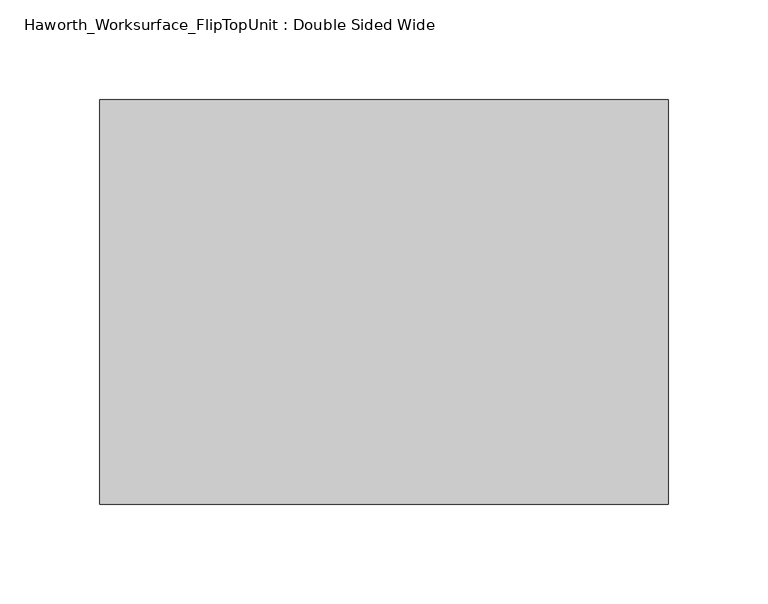
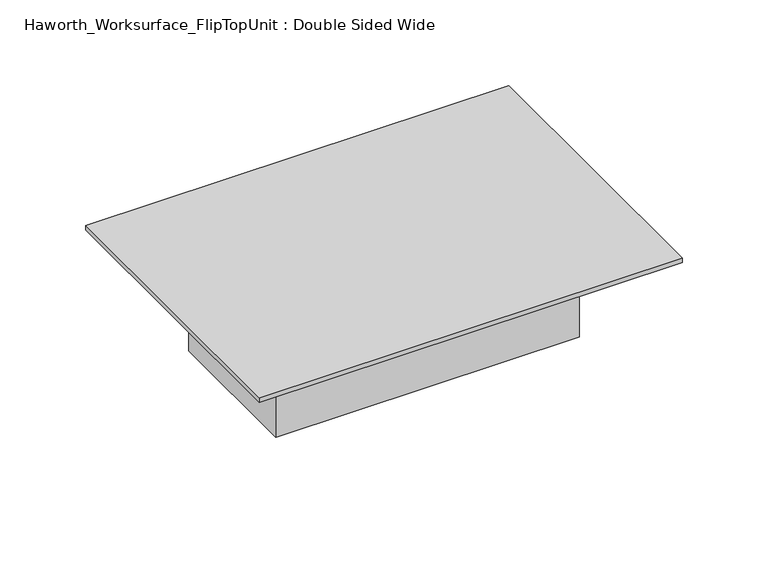
"""IFC4 building model written with IfcOpenShell, lengths in millimetres: furniture geometry, Haworth_Worksurface_FlipTopUnit : Double Sided Wide."""

from ifc_helpers import new_model, si_unit, origin, place, context, project, spatial, faceted_brep, source, transform, mapped, element, save


def haworth_worksurface_fliptopunit_double_sided_wide_1b71120d(model_context):
    return source(origin(), model_context, "Body", "Brep", [
        faceted_brep([(157.3624199, 102.9331298, 3.175), (-128.3875801, 102.9331298, 3.175), (-128.3875801, -100.2668702, 3.175), (157.3624199, -100.2668702, 3.175), (157.3624199, 102.9331298, 0.0), (157.3624199, -100.2668702, 0.0), (-128.3875801, -100.2668702, 0.0), (-128.3875801, 102.9331298, 0.0), (116.8811699, 52.1331298, 0.0), (-87.9063301, 52.1331298, 0.0), (-87.9063301, -49.4668702, 0.0), (116.8811699, -49.4668702, 0.0), (116.8811699, 52.1331298, -69.85), (116.8811699, -49.4668702, -69.85), (-87.9063301, -49.4668702, -69.85), (-87.9063301, 52.1331298, -69.85)], [[[0, 1, 2, 3]], [[4, 5, 6, 7], [8, 9, 10, 11]], [[1, 0, 4, 7]], [[2, 1, 7, 6]], [[3, 2, 6, 5]], [[0, 3, 5, 4]], [[12, 13, 14, 15]], [[12, 15, 9, 8]], [[15, 14, 10, 9]], [[14, 13, 11, 10]], [[13, 12, 8, 11]]]),
    ])


if __name__ == "__main__":
    model = new_model("IFC4")
    model_context = context("Model", 3, world=origin())
    ifc_project = project(units=[si_unit("LENGTHUNIT", "METRE", prefix="MILLI")], contexts=[model_context])
    site = spatial("IfcSite", under=ifc_project)
    building = spatial("IfcBuilding", under=site)
    placement = place(None, origin())
    haworth_worksurface_fliptopunit_double_sided_wide_shape = haworth_worksurface_fliptopunit_double_sided_wide_1b71120d(model_context)
    element("IfcFurniture", 1, ObjectType="Haworth_Worksurface_FlipTopUnit : Double Sided Wide", at=placement, inside=building, context=model_context, shape_type="MappedRepresentation", body=[
        mapped(haworth_worksurface_fliptopunit_double_sided_wide_shape, transform((0.0, 0.0, 0.0), x_axis=(1.0, 0.0, 0.0), y_axis=(0.0, 1.0, 0.0), z_axis=(0.0, 0.0, 1.0))),
    ])
    save(model, "model.ifc")
